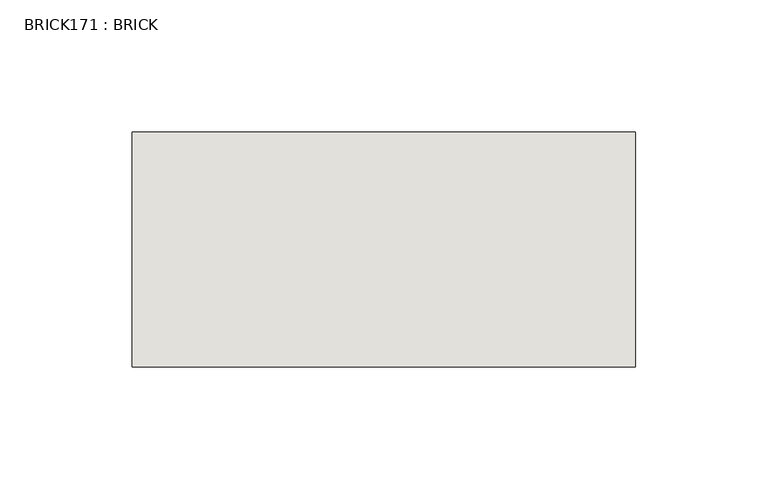
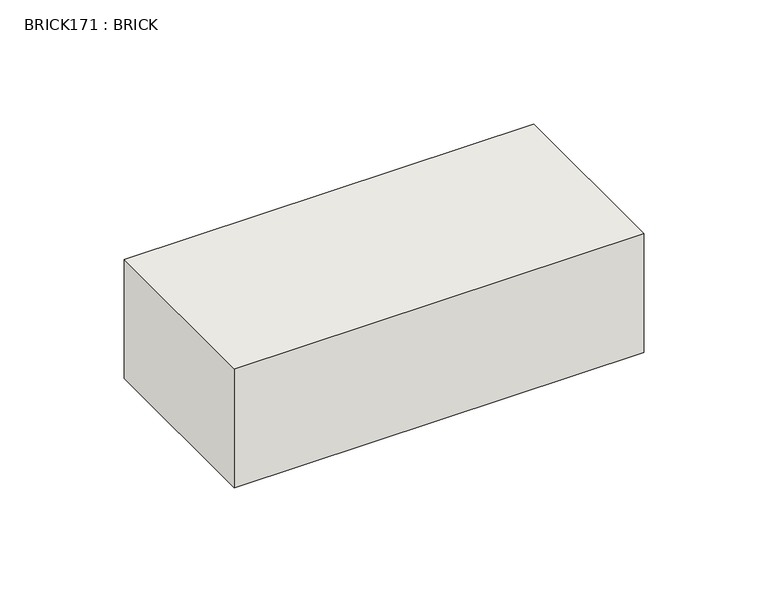
"""IFC4 building model written with IfcOpenShell, lengths in millimetres: wall geometry, BRICK171 : BRICK."""

from ifc_helpers import new_model, si_unit, frame, origin, place, context, project, spatial, polyline, outline, extrude, source, transform, mapped, element, save


def brick171_brick_5bf4d63a(model_context):
    return source(origin(), model_context, "Body", "SweptSolid", [
        extrude(outline(polyline([(-58.6574357, 3062.3923312), (131.8425643, 3062.3923312), (131.8425643, 2973.4923312), (-58.6574357, 2973.4923312), (-58.6574357, 3062.3923312)])), frame((0.0, 0.0, 283.5671875), z_axis=(0.0, 0.0, 1.0), x_axis=(1.0, 0.0, 0.0)), (0.0, 0.0, 1.0), 58.4398438),
    ])


if __name__ == "__main__":
    model = new_model("IFC4")
    model_context = context("Model", 3, world=origin())
    ifc_project = project(units=[si_unit("LENGTHUNIT", "METRE", prefix="MILLI")], contexts=[model_context])
    site = spatial("IfcSite", under=ifc_project)
    building = spatial("IfcBuilding", under=site)
    placement = place(None, origin())
    brick171_brick_shape = brick171_brick_5bf4d63a(model_context)
    element("IfcWall", 1, ObjectType="BRICK171 : BRICK", at=placement, inside=building, context=model_context, shape_type="MappedRepresentation", body=[
        mapped(brick171_brick_shape, transform((0.0, 0.0, 0.0), x_axis=(1.0, 0.0, 0.0), y_axis=(0.0, 1.0, 0.0), z_axis=(0.0, 0.0, 1.0))),
    ])
    save(model, "model.ifc")
